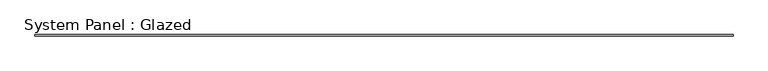
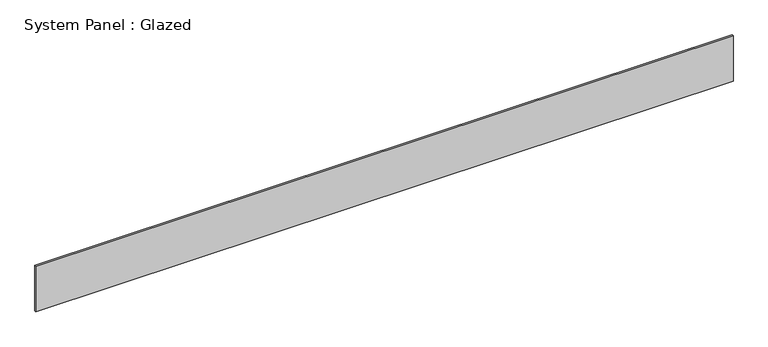
"""IFC4 building model written with IfcOpenShell, lengths in millimetres: plate geometry, System Panel : Glazed."""

import ifcopenshell
import ifcopenshell.guid

model = None  # the IFC model being written
_history = None  # IfcOwnerHistory: only IFC2X3 demands one
_inside = {}  # id of a spatial element -> (the spatial element, [elements in it])
_under = {}  # id of a project, library or spatial element -> (it, [spatial elements below it])
_declared = {}  # id of a project -> (the project, [libraries it declares])
_typed = {}  # id of a type object -> (the type object, [elements of that type])
_made_of = {}  # id of a material, layer set ... -> (it, [elements and type objects made of it])


def new_model(schema):
    """Start an empty IFC model of exactly this schema.

    Asked for "IFC4X3", IfcOpenShell would pick the latest addendum, in which some entities
    have other attributes; the version numbers below select the first issue.
    IFC2X3 requires an IfcOwnerHistory on every rooted entity: one is made here for all.
    """
    global model, _history
    if schema == "IFC4X3":
        model = ifcopenshell.file(schema_version=(4, 3, 0, 0))
    else:
        model = ifcopenshell.file(schema=schema)
    _inside.clear()
    _under.clear()
    _declared.clear()
    _typed.clear()
    _made_of.clear()
    _history = None
    if model.schema == "IFC2X3":
        org = make("IfcOrganization", Name="unknown")
        user = make(
            "IfcPersonAndOrganization",
            ThePerson=make("IfcPerson", FamilyName="unknown"),
            TheOrganization=org,
        )
        app = make(
            "IfcApplication",
            ApplicationDeveloper=org,
            Version="unknown",
            ApplicationFullName="unknown",
            ApplicationIdentifier="unknown",
        )
        _history = make(
            "IfcOwnerHistory",
            OwningUser=user,
            OwningApplication=app,
            ChangeAction="ADDED",
            CreationDate=0,
        )
    return model


def make(cls, **values):
    """One entity of the class cls with the attributes given. An attribute that is None is left unset."""
    return model.create_entity(
        cls, **{name: value for name, value in values.items() if value is not None}
    )


def rooted(cls, **values):
    """An entity with a GlobalId (a new one), such as an element, a storey or a relation."""
    return make(cls, GlobalId=ifcopenshell.guid.new(), OwnerHistory=_history, **values)


def si_unit(unit_type, name, prefix=None):
    """IfcSIUnit, for example si_unit("LENGTHUNIT", "METRE", prefix="MILLI")."""
    return make("IfcSIUnit", UnitType=unit_type, Prefix=prefix, Name=name)


def assignment(units):
    """IfcUnitAssignment: the units of a project."""
    return None if units is None else make("IfcUnitAssignment", Units=units)


def point(xyz):
    """IfcCartesianPoint."""
    return None if xyz is None else make("IfcCartesianPoint", Coordinates=xyz)


def direction(xyz):
    """IfcDirection."""
    return None if xyz is None else make("IfcDirection", DirectionRatios=xyz)


def frame(location, z_axis=None, x_axis=None):
    """IfcAxis2Placement3D, a coordinate frame: its origin and axes. An axis left out is left unset."""
    return make(
        "IfcAxis2Placement3D",
        Location=point(location),
        Axis=direction(z_axis),
        RefDirection=direction(x_axis),
    )


def origin():
    """The frame at (0, 0, 0) with its axes left unset."""
    return frame((0.0, 0.0, 0.0))


def origin_with_axes():
    """The frame at (0, 0, 0) with the z axis (0, 0, 1) and the x axis (1, 0, 0) written out."""
    return frame((0.0, 0.0, 0.0), z_axis=(0.0, 0.0, 1.0), x_axis=(1.0, 0.0, 0.0))


def place(relative_to, where):
    """IfcLocalPlacement: puts the frame where relative to a parent placement (None: the world)."""
    return make(
        "IfcLocalPlacement", PlacementRelTo=relative_to, RelativePlacement=where
    )


def context(
    kind, dimensions, precision=None, world=None, true_north=None, identifier=None
):
    """IfcGeometricRepresentationContext, for example the 3D "Model" context."""
    return make(
        "IfcGeometricRepresentationContext",
        ContextIdentifier=identifier,
        ContextType=kind,
        CoordinateSpaceDimension=dimensions,
        Precision=precision,
        WorldCoordinateSystem=world,
        TrueNorth=true_north,
    )


def project(units=None, contexts=None):
    """IfcProject with its units and contexts."""
    return rooted(
        "IfcProject",
        Name="project",
        RepresentationContexts=contexts,
        UnitsInContext=assignment(units),
    )


def spatial(cls, under=None, at=None, **own):
    """A site, building, storey or space (cls), placed at a placement, below another one or the project."""
    s = rooted(cls, ObjectPlacement=at, **own)
    if under is not None:
        _under.setdefault(under.id(), (under, []))[1].append(s)
    return s


def polyline(points):
    """IfcPolyline through the points."""
    return make("IfcPolyline", Points=[point(p) for p in points])


def outline(outer, holes=None, kind="AREA"):
    """IfcArbitraryClosedProfileDef: a profile drawn as a closed curve; with holes, ...WithVoids."""
    if holes is None:
        return make("IfcArbitraryClosedProfileDef", ProfileType=kind, OuterCurve=outer)
    return make(
        "IfcArbitraryProfileDefWithVoids",
        ProfileType=kind,
        OuterCurve=outer,
        InnerCurves=holes,
    )


def extrude(swept, where, along, depth):
    """IfcExtrudedAreaSolid: the profile swept, set in the frame where, extruded along a direction by depth."""
    return make(
        "IfcExtrudedAreaSolid",
        SweptArea=swept,
        Position=where,
        ExtrudedDirection=direction(along),
        Depth=depth,
    )


def shape(context_of_items, identifier, shape_type, items):
    """IfcShapeRepresentation: the items that make up one representation, for example the "Body"."""
    return make(
        "IfcShapeRepresentation",
        ContextOfItems=context_of_items,
        RepresentationIdentifier=identifier,
        RepresentationType=shape_type,
        Items=items,
    )


def source(mapping_origin, context_of_items, identifier, shape_type, items):
    """IfcRepresentationMap: a shape defined once, which mapped items show again and again."""
    return make(
        "IfcRepresentationMap",
        MappingOrigin=mapping_origin,
        MappedRepresentation=shape(context_of_items, identifier, shape_type, items),
    )


def transform(
    local_origin,
    x_axis=None,
    y_axis=None,
    z_axis=None,
    scale=None,
    scale2=None,
    scale3=None,
    uniform=True,
):
    """IfcCartesianTransformationOperator3D, or its non-uniform kind. x_axis, y_axis, z_axis: its Axis1, 2, 3."""
    if uniform:
        return make(
            "IfcCartesianTransformationOperator3D",
            Axis1=direction(x_axis),
            Axis2=direction(y_axis),
            LocalOrigin=point(local_origin),
            Scale=scale,
            Axis3=direction(z_axis),
        )
    return make(
        "IfcCartesianTransformationOperator3DnonUniform",
        Axis1=direction(x_axis),
        Axis2=direction(y_axis),
        LocalOrigin=point(local_origin),
        Scale=scale,
        Axis3=direction(z_axis),
        Scale2=scale2,
        Scale3=scale3,
    )


def mapped(mapping_source, mapping_target):
    """IfcMappedItem: shows the shape of a source again, moved by a transform."""
    return make(
        "IfcMappedItem", MappingSource=mapping_source, MappingTarget=mapping_target
    )


def made_of(thing, what):
    """Note that an element or type object is made of a material, layer set ...; save() writes the relation."""
    if what is not None:
        _made_of.setdefault(what.id(), (what, []))[1].append(thing)
    return thing


def element(
    cls,
    number,
    at=None,
    inside=None,
    cuts=None,
    type_object=None,
    material=None,
    context=None,
    identifier="Body",
    shape_type=None,
    held_by="IfcProductDefinitionShape",
    body=None,
    shapes=None,
    **own,
):
    """One element of the class cls, such as IfcWall. Its Tag is "e" and its number.

    at: its placement. inside: the storey or other place that contains it. cuts: it is an
    opening in that element (IfcRelVoidsElement). A single representation is given by context,
    identifier, shape_type and body (its items); several are given by shapes. held_by: the class
    of the entity that holds the representations. save() writes the other relations.
    """
    e = rooted(cls, Tag="e%d" % number, ObjectPlacement=at, **own)
    if body is not None:
        shapes = [shape(context, identifier, shape_type, body)]
    if shapes is not None:
        e.Representation = make(held_by, Representations=shapes)
    if inside is not None:
        _inside.setdefault(inside.id(), (inside, []))[1].append(e)
    if cuts is not None:
        rooted(
            "IfcRelVoidsElement", RelatingBuildingElement=cuts, RelatedOpeningElement=e
        )
    if type_object is not None:
        _typed.setdefault(type_object.id(), (type_object, []))[1].append(e)
    return made_of(e, material)


def aggregate(whole, parts):
    """IfcRelAggregates: a whole, such as a stair, and the parts it consists of."""
    return rooted("IfcRelAggregates", RelatingObject=whole, RelatedObjects=parts)


def save(model, path):
    """Write the relations noted so far, then the file.

    IfcRelAggregates (storeys below a building ...), IfcRelContainedInSpatialStructure (elements
    in a storey), IfcRelDefinesByType, IfcRelAssociatesMaterial and IfcRelDeclares: one each for
    every whole, place, type object, material and project.
    """
    for whole, parts in _under.values():
        aggregate(whole, parts)
    for where, things in _inside.values():
        rooted(
            "IfcRelContainedInSpatialStructure",
            RelatedElements=things,
            RelatingStructure=where,
        )
    for kind, things in _typed.values():
        rooted("IfcRelDefinesByType", RelatedObjects=things, RelatingType=kind)
    for what, things in _made_of.values():
        rooted("IfcRelAssociatesMaterial", RelatedObjects=things, RelatingMaterial=what)
    for by, libraries in _declared.values():
        rooted("IfcRelDeclares", RelatingContext=by, RelatedDefinitions=libraries)
    model.write(path)


def system_panel_glazed_f17225ce(model_context):
    return source(origin(), model_context, "Body", "SweptSolid", [
        extrude(outline(polyline([(6152.8214727, 24.5), (-6152.8214727, 24.5), (-6152.8214727, 49.5), (6152.8214727, 49.5), (6152.8214727, 24.5)])), origin_with_axes(), (0.0, 0.0, 1.0), 850.0),
    ])


if __name__ == "__main__":
    model = new_model("IFC4")
    model_context = context("Model", 3, world=origin())
    ifc_project = project(units=[si_unit("LENGTHUNIT", "METRE", prefix="MILLI")], contexts=[model_context])
    site = spatial("IfcSite", under=ifc_project)
    building = spatial("IfcBuilding", under=site)
    placement = place(None, origin())
    system_panel_glazed_shape = system_panel_glazed_f17225ce(model_context)
    element("IfcPlate", 1, ObjectType="System Panel : Glazed", at=placement, inside=building, context=model_context, shape_type="MappedRepresentation", body=[
        mapped(system_panel_glazed_shape, transform((0.0, 0.0, 0.0), x_axis=(1.0, 0.0, 0.0), y_axis=(0.0, 1.0, 0.0), z_axis=(0.0, 0.0, 1.0))),
    ])
    save(model, "model.ifc")
